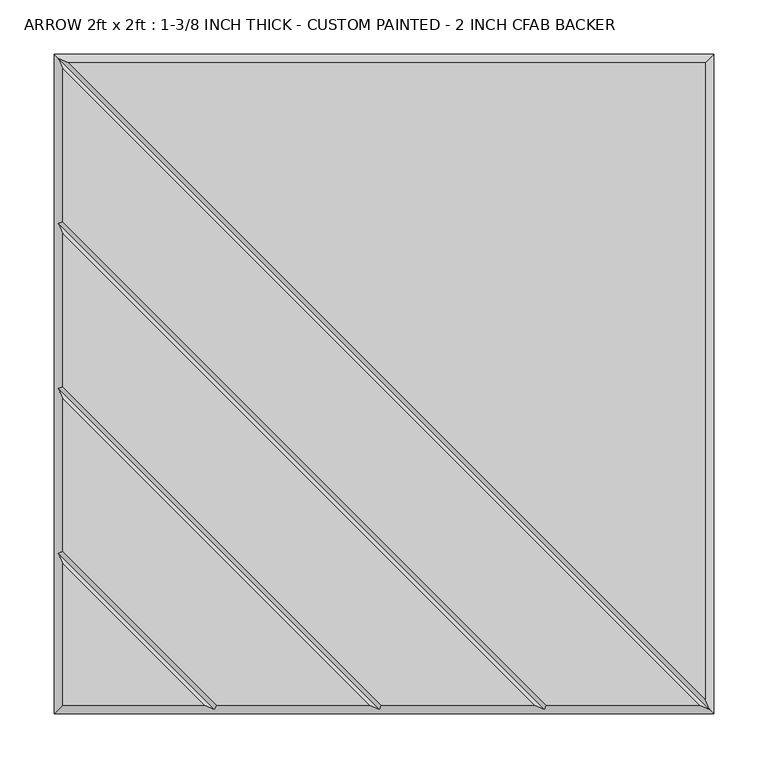
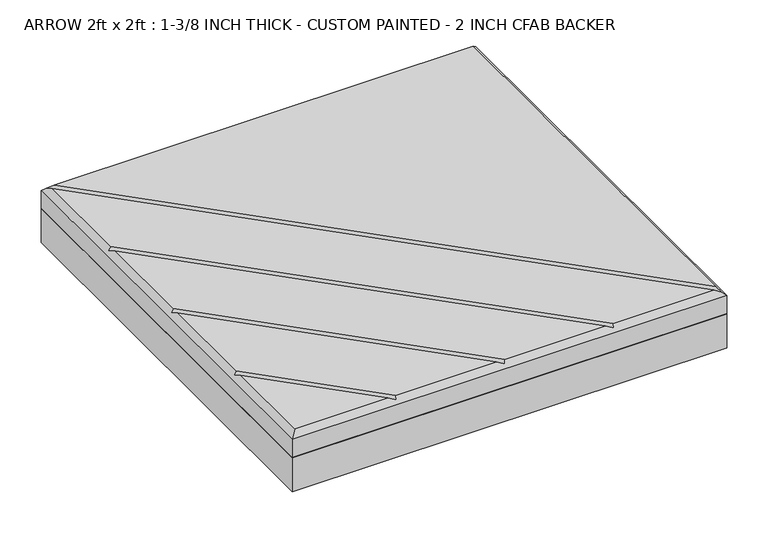
"""IFC4 building model written with IfcOpenShell, lengths in millimetres: proxy geometry, ARROW 2ft x 2ft : 1-3/8 INCH THICK - CUSTOM PAINTED - 2 INCH CFAB BACKER."""

import ifcopenshell
import ifcopenshell.guid

model = None  # the IFC model being written
_history = None  # IfcOwnerHistory: only IFC2X3 demands one
_inside = {}  # id of a spatial element -> (the spatial element, [elements in it])
_under = {}  # id of a project, library or spatial element -> (it, [spatial elements below it])
_declared = {}  # id of a project -> (the project, [libraries it declares])
_typed = {}  # id of a type object -> (the type object, [elements of that type])
_made_of = {}  # id of a material, layer set ... -> (it, [elements and type objects made of it])


def new_model(schema):
    """Start an empty IFC model of exactly this schema.

    Asked for "IFC4X3", IfcOpenShell would pick the latest addendum, in which some entities
    have other attributes; the version numbers below select the first issue.
    IFC2X3 requires an IfcOwnerHistory on every rooted entity: one is made here for all.
    """
    global model, _history
    if schema == "IFC4X3":
        model = ifcopenshell.file(schema_version=(4, 3, 0, 0))
    else:
        model = ifcopenshell.file(schema=schema)
    _inside.clear()
    _under.clear()
    _declared.clear()
    _typed.clear()
    _made_of.clear()
    _history = None
    if model.schema == "IFC2X3":
        org = make("IfcOrganization", Name="unknown")
        user = make(
            "IfcPersonAndOrganization",
            ThePerson=make("IfcPerson", FamilyName="unknown"),
            TheOrganization=org,
        )
        app = make(
            "IfcApplication",
            ApplicationDeveloper=org,
            Version="unknown",
            ApplicationFullName="unknown",
            ApplicationIdentifier="unknown",
        )
        _history = make(
            "IfcOwnerHistory",
            OwningUser=user,
            OwningApplication=app,
            ChangeAction="ADDED",
            CreationDate=0,
        )
    return model


def make(cls, **values):
    """One entity of the class cls with the attributes given. An attribute that is None is left unset."""
    return model.create_entity(
        cls, **{name: value for name, value in values.items() if value is not None}
    )


def rooted(cls, **values):
    """An entity with a GlobalId (a new one), such as an element, a storey or a relation."""
    return make(cls, GlobalId=ifcopenshell.guid.new(), OwnerHistory=_history, **values)


def si_unit(unit_type, name, prefix=None):
    """IfcSIUnit, for example si_unit("LENGTHUNIT", "METRE", prefix="MILLI")."""
    return make("IfcSIUnit", UnitType=unit_type, Prefix=prefix, Name=name)


def assignment(units):
    """IfcUnitAssignment: the units of a project."""
    return None if units is None else make("IfcUnitAssignment", Units=units)


def point(xyz):
    """IfcCartesianPoint."""
    return None if xyz is None else make("IfcCartesianPoint", Coordinates=xyz)


def direction(xyz):
    """IfcDirection."""
    return None if xyz is None else make("IfcDirection", DirectionRatios=xyz)


def frame(location, z_axis=None, x_axis=None):
    """IfcAxis2Placement3D, a coordinate frame: its origin and axes. An axis left out is left unset."""
    return make(
        "IfcAxis2Placement3D",
        Location=point(location),
        Axis=direction(z_axis),
        RefDirection=direction(x_axis),
    )


def origin():
    """The frame at (0, 0, 0) with its axes left unset."""
    return frame((0.0, 0.0, 0.0))


def place(relative_to, where):
    """IfcLocalPlacement: puts the frame where relative to a parent placement (None: the world)."""
    return make(
        "IfcLocalPlacement", PlacementRelTo=relative_to, RelativePlacement=where
    )


def context(
    kind, dimensions, precision=None, world=None, true_north=None, identifier=None
):
    """IfcGeometricRepresentationContext, for example the 3D "Model" context."""
    return make(
        "IfcGeometricRepresentationContext",
        ContextIdentifier=identifier,
        ContextType=kind,
        CoordinateSpaceDimension=dimensions,
        Precision=precision,
        WorldCoordinateSystem=world,
        TrueNorth=true_north,
    )


def project(units=None, contexts=None):
    """IfcProject with its units and contexts."""
    return rooted(
        "IfcProject",
        Name="project",
        RepresentationContexts=contexts,
        UnitsInContext=assignment(units),
    )


def spatial(cls, under=None, at=None, **own):
    """A site, building, storey or space (cls), placed at a placement, below another one or the project."""
    s = rooted(cls, ObjectPlacement=at, **own)
    if under is not None:
        _under.setdefault(under.id(), (under, []))[1].append(s)
    return s


def polyline(points):
    """IfcPolyline through the points."""
    return make("IfcPolyline", Points=[point(p) for p in points])


def outline(outer, holes=None, kind="AREA"):
    """IfcArbitraryClosedProfileDef: a profile drawn as a closed curve; with holes, ...WithVoids."""
    if holes is None:
        return make("IfcArbitraryClosedProfileDef", ProfileType=kind, OuterCurve=outer)
    return make(
        "IfcArbitraryProfileDefWithVoids",
        ProfileType=kind,
        OuterCurve=outer,
        InnerCurves=holes,
    )


def extrude(swept, where, along, depth):
    """IfcExtrudedAreaSolid: the profile swept, set in the frame where, extruded along a direction by depth."""
    return make(
        "IfcExtrudedAreaSolid",
        SweptArea=swept,
        Position=where,
        ExtrudedDirection=direction(along),
        Depth=depth,
    )


def faces_of(points, faces, orient=None, outer=None):
    """IfcFace entities. A face is a list of loops; a loop is a list of indices into points, from 0.

    orient and outer hold one flag for each loop. By default every Orientation is true, the
    first loop of a face is its IfcFaceOuterBound and the others are IfcFaceBound.
    """
    made = []
    for i, loops in enumerate(faces):
        bounds = []
        for j, loop in enumerate(loops):
            is_outer = j == 0 if outer is None else outer[i][j]
            bounds.append(
                make(
                    "IfcFaceOuterBound" if is_outer else "IfcFaceBound",
                    Bound=make("IfcPolyLoop", Polygon=[points[k] for k in loop]),
                    Orientation=True if orient is None else orient[i][j],
                )
            )
        made.append(make("IfcFace", Bounds=bounds))
    return made


def faceted_brep(points, faces, orient=None, outer=None, voids=None):
    """IfcFacetedBrep: a solid bounded by flat faces; with voids (closed shells), ...WithVoids."""
    shared = [point(p) for p in points]
    hull = make("IfcClosedShell", CfsFaces=faces_of(shared, faces, orient, outer))
    if voids is None:
        return make("IfcFacetedBrep", Outer=hull)
    return make(
        "IfcFacetedBrepWithVoids",
        Outer=hull,
        Voids=[
            make(cls, CfsFaces=faces_of(shared, fs, o, b)) for cls, fs, o, b in voids
        ],
    )


def shape(context_of_items, identifier, shape_type, items):
    """IfcShapeRepresentation: the items that make up one representation, for example the "Body"."""
    return make(
        "IfcShapeRepresentation",
        ContextOfItems=context_of_items,
        RepresentationIdentifier=identifier,
        RepresentationType=shape_type,
        Items=items,
    )


def source(mapping_origin, context_of_items, identifier, shape_type, items):
    """IfcRepresentationMap: a shape defined once, which mapped items show again and again."""
    return make(
        "IfcRepresentationMap",
        MappingOrigin=mapping_origin,
        MappedRepresentation=shape(context_of_items, identifier, shape_type, items),
    )


def transform(
    local_origin,
    x_axis=None,
    y_axis=None,
    z_axis=None,
    scale=None,
    scale2=None,
    scale3=None,
    uniform=True,
):
    """IfcCartesianTransformationOperator3D, or its non-uniform kind. x_axis, y_axis, z_axis: its Axis1, 2, 3."""
    if uniform:
        return make(
            "IfcCartesianTransformationOperator3D",
            Axis1=direction(x_axis),
            Axis2=direction(y_axis),
            LocalOrigin=point(local_origin),
            Scale=scale,
            Axis3=direction(z_axis),
        )
    return make(
        "IfcCartesianTransformationOperator3DnonUniform",
        Axis1=direction(x_axis),
        Axis2=direction(y_axis),
        LocalOrigin=point(local_origin),
        Scale=scale,
        Axis3=direction(z_axis),
        Scale2=scale2,
        Scale3=scale3,
    )


def mapped(mapping_source, mapping_target):
    """IfcMappedItem: shows the shape of a source again, moved by a transform."""
    return make(
        "IfcMappedItem", MappingSource=mapping_source, MappingTarget=mapping_target
    )


def made_of(thing, what):
    """Note that an element or type object is made of a material, layer set ...; save() writes the relation."""
    if what is not None:
        _made_of.setdefault(what.id(), (what, []))[1].append(thing)
    return thing


def element(
    cls,
    number,
    at=None,
    inside=None,
    cuts=None,
    type_object=None,
    material=None,
    context=None,
    identifier="Body",
    shape_type=None,
    held_by="IfcProductDefinitionShape",
    body=None,
    shapes=None,
    **own,
):
    """One element of the class cls, such as IfcWall. Its Tag is "e" and its number.

    at: its placement. inside: the storey or other place that contains it. cuts: it is an
    opening in that element (IfcRelVoidsElement). A single representation is given by context,
    identifier, shape_type and body (its items); several are given by shapes. held_by: the class
    of the entity that holds the representations. save() writes the other relations.
    """
    e = rooted(cls, Tag="e%d" % number, ObjectPlacement=at, **own)
    if body is not None:
        shapes = [shape(context, identifier, shape_type, body)]
    if shapes is not None:
        e.Representation = make(held_by, Representations=shapes)
    if inside is not None:
        _inside.setdefault(inside.id(), (inside, []))[1].append(e)
    if cuts is not None:
        rooted(
            "IfcRelVoidsElement", RelatingBuildingElement=cuts, RelatedOpeningElement=e
        )
    if type_object is not None:
        _typed.setdefault(type_object.id(), (type_object, []))[1].append(e)
    return made_of(e, material)


def aggregate(whole, parts):
    """IfcRelAggregates: a whole, such as a stair, and the parts it consists of."""
    return rooted("IfcRelAggregates", RelatingObject=whole, RelatedObjects=parts)


def save(model, path):
    """Write the relations noted so far, then the file.

    IfcRelAggregates (storeys below a building ...), IfcRelContainedInSpatialStructure (elements
    in a storey), IfcRelDefinesByType, IfcRelAssociatesMaterial and IfcRelDeclares: one each for
    every whole, place, type object, material and project.
    """
    for whole, parts in _under.values():
        aggregate(whole, parts)
    for where, things in _inside.values():
        rooted(
            "IfcRelContainedInSpatialStructure",
            RelatedElements=things,
            RelatingStructure=where,
        )
    for kind, things in _typed.values():
        rooted("IfcRelDefinesByType", RelatedObjects=things, RelatingType=kind)
    for what, things in _made_of.values():
        rooted("IfcRelAssociatesMaterial", RelatedObjects=things, RelatingMaterial=what)
    for by, libraries in _declared.values():
        rooted("IfcRelDeclares", RelatingContext=by, RelatedDefinitions=libraries)
    model.write(path)


def arrow_2ft_x_2ft_1_3_8_inch_thick_custom_painted_2_inch_cfab_7e3f49ac(model_context):
    return source(origin(), model_context, "Body", "SolidModel", [
        extrude(outline(polyline([(-304.8, 304.8), (304.8, 304.8), (304.8, -304.8), (-304.8, -304.8), (-304.8, 304.8)])), frame((0.0, 0.0, -50.8), z_axis=(0.0, 0.0, 1.0), x_axis=(1.0, 0.0, 0.0)), (0.0, 0.0, 1.0), 50.8),
        faceted_brep([(296.799, 296.799, 34.925), (-291.1414386, 296.799, 34.925), (296.799, -291.1414386, 34.925), (291.1414386, -296.799, 34.925), (-296.799, 291.1414386, 34.925), (-296.799, 150.0565868, 34.925), (150.0565868, -296.799, 34.925), (138.741464, -296.799, 34.925), (-296.799, 138.741464, 34.925), (-296.799, -2.3434132, 34.925), (-2.3434132, -296.799, 34.925), (-13.658536, -296.799, 34.925), (-296.799, -13.658536, 34.925), (-296.799, -154.7434132, 34.925), (-154.7434132, -296.799, 34.925), (-296.799, -166.058536, 34.925), (-296.799, -296.799, 34.925), (-166.058536, -296.799, 34.925), (-304.8, 304.8, 0.0), (304.8, 304.8, 0.0), (304.8, -304.8, 0.0), (-304.8, -304.8, 0.0), (-304.8, -304.8, 26.924), (-304.8, 304.8, 26.924), (304.8, -304.8, 26.924), (304.8, 304.8, 26.924), (-300.7995, 300.7995, 30.9245), (-300.7995, -156.4004746, 30.9245), (-300.7995, -4.0004746, 30.9245), (-300.7995, 148.3995254, 30.9245), (300.7995, -300.7995, 30.9245), (148.3995254, -300.7995, 30.9245), (-4.0004746, -300.7995, 30.9245), (-156.4004746, -300.7995, 30.9245)], [[[0, 1, 2]], [[3, 4, 5, 6]], [[7, 8, 9, 10]], [[11, 12, 13, 14]], [[15, 16, 17]], [[18, 19, 20, 21]], [[18, 21, 22, 23]], [[21, 20, 24, 22]], [[20, 19, 25, 24]], [[19, 18, 23, 25]], [[0, 25, 23, 26, 1]], [[22, 16, 15, 27, 13, 12, 28, 9, 8, 29, 5, 4, 26, 23]], [[16, 22, 24, 30, 3, 6, 31, 7, 10, 32, 11, 14, 33, 17]], [[25, 0, 2, 30, 24]], [[26, 30, 2, 1]], [[30, 26, 4, 3]], [[29, 31, 6, 5]], [[31, 29, 8, 7]], [[28, 32, 10, 9]], [[32, 28, 12, 11]], [[27, 33, 14, 13]], [[33, 27, 15, 17]]]),
    ])


if __name__ == "__main__":
    model = new_model("IFC4")
    model_context = context("Model", 3, world=origin())
    ifc_project = project(units=[si_unit("LENGTHUNIT", "METRE", prefix="MILLI")], contexts=[model_context])
    site = spatial("IfcSite", under=ifc_project)
    building = spatial("IfcBuilding", under=site)
    placement = place(None, origin())
    arrow_2ft_x_2ft_1_3_8_inch_thick_custom_painted_2_inch_cfab_shape = arrow_2ft_x_2ft_1_3_8_inch_thick_custom_painted_2_inch_cfab_7e3f49ac(model_context)
    element("IfcBuildingElementProxy", 1, Name="ARROW 2ft x 2ft : 1-3/8 INCH THICK - CUSTOM PAINTED - 2 INCH CFAB BACKER", ObjectType="ARROW 2ft x 2ft : 1-3/8 INCH THICK - CUSTOM PAINTED - 2 INCH CFAB BACKER", at=placement, inside=building, context=model_context, shape_type="MappedRepresentation", body=[
        mapped(arrow_2ft_x_2ft_1_3_8_inch_thick_custom_painted_2_inch_cfab_shape, transform((0.0, 0.0, 0.0), x_axis=(1.0, 0.0, 0.0), y_axis=(0.0, 1.0, 0.0), z_axis=(0.0, 0.0, 1.0))),
    ])
    save(model, "model.ifc")
